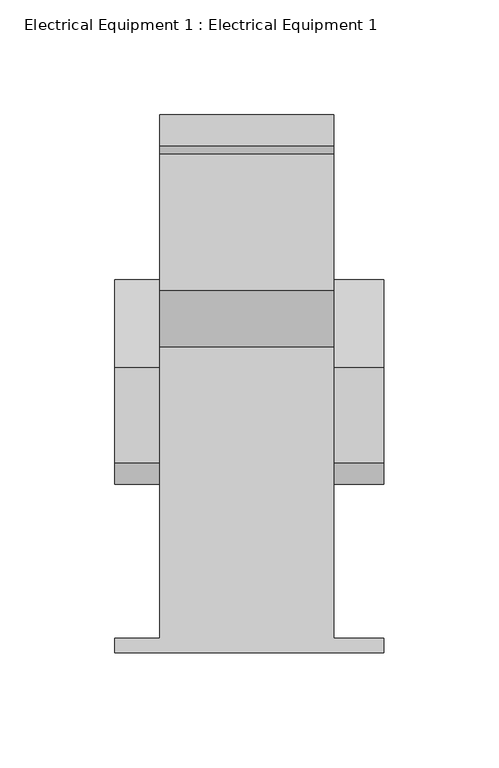
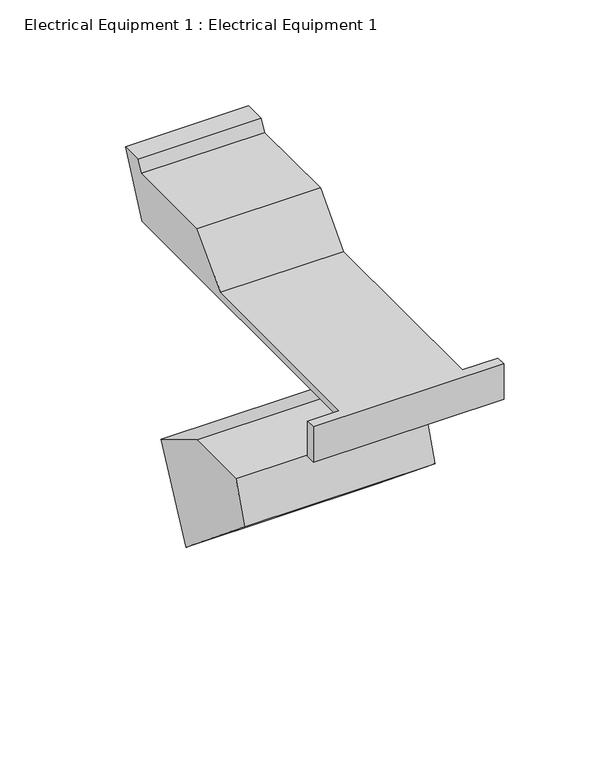
"""IFC4 building model written with IfcOpenShell, lengths in millimetres: proxy geometry, Electrical Equipment 1 : Electrical Equipment 1."""

from ifc_helpers import new_model, si_unit, origin, place, context, project, spatial, faceted_brep, source, transform, mapped, element, save


def electrical_equipment_1_electrical_equipment_1_1d3b211b(model_context):
    return source(origin(), model_context, "Body", "Brep", [
        faceted_brep([(-35949.796859, 52134.295044, 110678.8141186), (-35949.796859, 52134.295044, 110655.891367), (-35949.796859, 52140.6256988, 110655.891367), (-35949.796859, 52140.6256988, 110678.8141186), (-36066.6792872, 52134.295044, 110655.891367), (-36066.6792872, 52134.295044, 110678.8141186), (-36066.6792872, 52140.6256988, 110678.8141186), (-36066.6792872, 52140.6256988, 110655.891367), (-35971.6046652, 52140.6256988, 110678.8141186), (-35971.6046652, 52267.1294508, 110678.8141186), (-36047.2716024, 52267.1294508, 110678.8141186), (-36047.2716024, 52140.6256988, 110678.8141186), (-35971.6046652, 52291.815491, 110705.2634474), (-36047.2716024, 52291.815491, 110705.2634474), (-35971.6046652, 52351.1795401, 110705.2634474), (-36047.2716024, 52351.1795401, 110705.2634474), (-35971.6046652, 52354.7061173, 110712.3166017), (-36047.2716024, 52354.7061173, 110712.3166017), (-36047.2716024, 52368.2246631, 110712.3166017), (-35971.6046652, 52368.2246631, 110712.3166017), (-35971.6046652, 52350.7085787, 110674.293882), (-36047.2716024, 52350.7085787, 110674.293882), (-36047.2716024, 52140.6256988, 110674.293882), (-35971.6046652, 52140.6256988, 110674.293882)], [[[0, 1, 2, 3]], [[4, 5, 6, 7]], [[1, 4, 7, 2]], [[1, 0, 5, 4]], [[5, 0, 3, 8, 9, 10, 11, 6]], [[10, 9, 12, 13]], [[13, 12, 14, 15]], [[15, 14, 16, 17]], [[18, 19, 20, 21]], [[22, 23, 8, 3, 2, 7, 6, 11]], [[22, 11, 10, 13, 15, 17, 18, 21]], [[23, 22, 21, 20]], [[8, 23, 20, 19, 16, 14, 12, 9]], [[17, 16, 19, 18]]]),
        faceted_brep([(-35949.796859, 52207.7654018, 110569.4902263), (-35949.796859, 52270.0682651, 110518.3548573), (-35949.796859, 52296.5175939, 110572.4290406), (-35949.796859, 52258.4718936, 110595.3540139), (-35949.796859, 52216.7001647, 110595.3540139), (-36066.6792872, 52296.5175939, 110572.4290406), (-36066.6792872, 52270.0682651, 110518.3548573), (-36066.6792872, 52207.7654018, 110569.4902263), (-36066.6792872, 52216.7001647, 110595.3540139), (-36066.6792872, 52258.4718936, 110595.3540139)], [[[0, 1, 2, 3, 4]], [[5, 6, 7, 8, 9]], [[2, 5, 9, 3]], [[2, 1, 6, 5]], [[1, 0, 7, 6]], [[7, 0, 4, 8]], [[4, 3, 9, 8]]]),
    ])


if __name__ == "__main__":
    model = new_model("IFC4")
    model_context = context("Model", 3, world=origin())
    ifc_project = project(units=[si_unit("LENGTHUNIT", "METRE", prefix="MILLI")], contexts=[model_context])
    site = spatial("IfcSite", under=ifc_project)
    building = spatial("IfcBuilding", under=site)
    placement = place(None, origin())
    electrical_equipment_1_electrical_equipment_1_shape = electrical_equipment_1_electrical_equipment_1_1d3b211b(model_context)
    element("IfcBuildingElementProxy", 1, Name="Electrical Equipment 1 : Electrical Equipment 1", ObjectType="Electrical Equipment 1 : Electrical Equipment 1", at=placement, inside=building, context=model_context, shape_type="MappedRepresentation", body=[
        mapped(electrical_equipment_1_electrical_equipment_1_shape, transform((0.0, 0.0, 0.0), x_axis=(1.0, 0.0, 0.0), y_axis=(0.0, 1.0, 0.0), z_axis=(0.0, 0.0, 1.0))),
    ])
    save(model, "model.ifc")
